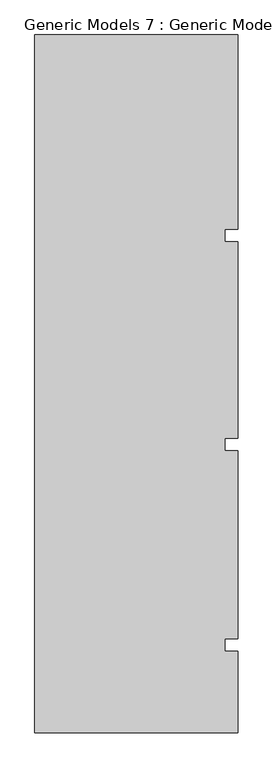
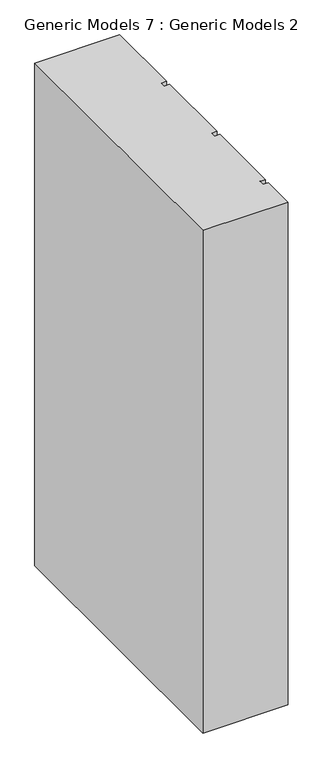
"""IFC4 building model written with IfcOpenShell, lengths in millimetres: proxy geometry, Generic Models 7 : Generic Models 2."""

from ifc_helpers import new_model, si_unit, frame, origin, place, context, project, spatial, polyline, outline, extrude, source, transform, mapped, element, save


def generic_models_7_generic_models_2_b81ba3b3(model_context):
    return source(origin(), model_context, "Body", "SweptSolid", [
        extrude(outline(polyline([(6158.9891931, -239.4418036), (6646.0314083, -239.4418036), (6646.0314083, -703.851216), (6614.3889077, -703.851216), (6614.3889077, -733.8846489), (6646.0314083, -733.8846489), (6646.0314083, -1203.851216), (6614.3889077, -1203.851216), (6614.3889077, -1233.8846489), (6646.0314083, -1233.8846489), (6646.0314083, -1683.851216), (6614.3889077, -1683.851216), (6614.3889077, -1713.8846489), (6646.0314083, -1713.8846489), (6646.0314083, -1909.2712904), (6158.9891931, -1909.2712904), (6158.9891931, -239.4418036)])), frame((0.0, 0.0, 3000.0), z_axis=(0.0, 0.0, 1.0), x_axis=(1.0, 0.0, 0.0)), (0.0, 0.0, 1.0), 3044.7067261),
    ])


if __name__ == "__main__":
    model = new_model("IFC4")
    model_context = context("Model", 3, world=origin())
    ifc_project = project(units=[si_unit("LENGTHUNIT", "METRE", prefix="MILLI")], contexts=[model_context])
    site = spatial("IfcSite", under=ifc_project)
    building = spatial("IfcBuilding", under=site)
    placement = place(None, origin())
    generic_models_7_generic_models_2_shape = generic_models_7_generic_models_2_b81ba3b3(model_context)
    element("IfcBuildingElementProxy", 1, Name="Generic Models 7 : Generic Models 2", ObjectType="Generic Models 7 : Generic Models 2", at=placement, inside=building, context=model_context, shape_type="MappedRepresentation", body=[
        mapped(generic_models_7_generic_models_2_shape, transform((0.0, 0.0, 0.0), x_axis=(1.0, 0.0, 0.0), y_axis=(0.0, 1.0, 0.0), z_axis=(0.0, 0.0, 1.0))),
    ])
    save(model, "model.ifc")
